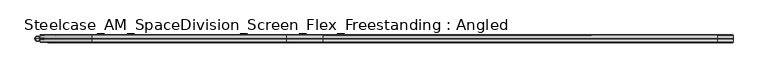
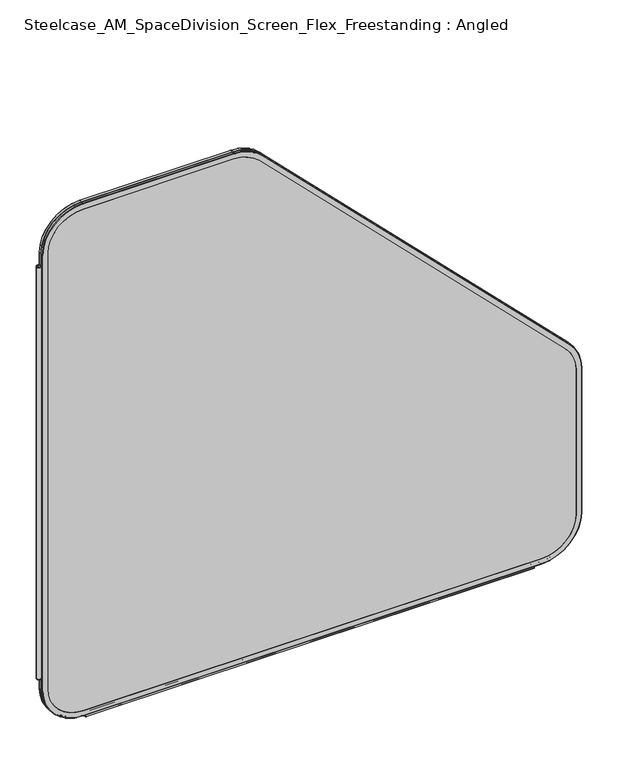
"""IFC4 building model written with IfcOpenShell, lengths in millimetres: furniture geometry, Steelcase_AM_SpaceDivision_Screen_Flex_Freestanding : Angled."""

import ifcopenshell
import ifcopenshell.guid

model = None  # the IFC model being written
_history = None  # IfcOwnerHistory: only IFC2X3 demands one
_inside = {}  # id of a spatial element -> (the spatial element, [elements in it])
_under = {}  # id of a project, library or spatial element -> (it, [spatial elements below it])
_declared = {}  # id of a project -> (the project, [libraries it declares])
_typed = {}  # id of a type object -> (the type object, [elements of that type])
_made_of = {}  # id of a material, layer set ... -> (it, [elements and type objects made of it])


def new_model(schema):
    """Start an empty IFC model of exactly this schema.

    Asked for "IFC4X3", IfcOpenShell would pick the latest addendum, in which some entities
    have other attributes; the version numbers below select the first issue.
    IFC2X3 requires an IfcOwnerHistory on every rooted entity: one is made here for all.
    """
    global model, _history
    if schema == "IFC4X3":
        model = ifcopenshell.file(schema_version=(4, 3, 0, 0))
    else:
        model = ifcopenshell.file(schema=schema)
    _inside.clear()
    _under.clear()
    _declared.clear()
    _typed.clear()
    _made_of.clear()
    _history = None
    if model.schema == "IFC2X3":
        org = make("IfcOrganization", Name="unknown")
        user = make(
            "IfcPersonAndOrganization",
            ThePerson=make("IfcPerson", FamilyName="unknown"),
            TheOrganization=org,
        )
        app = make(
            "IfcApplication",
            ApplicationDeveloper=org,
            Version="unknown",
            ApplicationFullName="unknown",
            ApplicationIdentifier="unknown",
        )
        _history = make(
            "IfcOwnerHistory",
            OwningUser=user,
            OwningApplication=app,
            ChangeAction="ADDED",
            CreationDate=0,
        )
    return model


def make(cls, **values):
    """One entity of the class cls with the attributes given. An attribute that is None is left unset."""
    return model.create_entity(
        cls, **{name: value for name, value in values.items() if value is not None}
    )


def rooted(cls, **values):
    """An entity with a GlobalId (a new one), such as an element, a storey or a relation."""
    return make(cls, GlobalId=ifcopenshell.guid.new(), OwnerHistory=_history, **values)


def si_unit(unit_type, name, prefix=None):
    """IfcSIUnit, for example si_unit("LENGTHUNIT", "METRE", prefix="MILLI")."""
    return make("IfcSIUnit", UnitType=unit_type, Prefix=prefix, Name=name)


def assignment(units):
    """IfcUnitAssignment: the units of a project."""
    return None if units is None else make("IfcUnitAssignment", Units=units)


def point(xyz):
    """IfcCartesianPoint."""
    return None if xyz is None else make("IfcCartesianPoint", Coordinates=xyz)


def direction(xyz):
    """IfcDirection."""
    return None if xyz is None else make("IfcDirection", DirectionRatios=xyz)


def frame(location, z_axis=None, x_axis=None):
    """IfcAxis2Placement3D, a coordinate frame: its origin and axes. An axis left out is left unset."""
    return make(
        "IfcAxis2Placement3D",
        Location=point(location),
        Axis=direction(z_axis),
        RefDirection=direction(x_axis),
    )


def frame_2d(location, x_axis=None):
    """IfcAxis2Placement2D, a coordinate frame in the plane: its origin and x axis."""
    return make(
        "IfcAxis2Placement2D", Location=point(location), RefDirection=direction(x_axis)
    )


def origin():
    """The frame at (0, 0, 0) with its axes left unset."""
    return frame((0.0, 0.0, 0.0))


def place(relative_to, where):
    """IfcLocalPlacement: puts the frame where relative to a parent placement (None: the world)."""
    return make(
        "IfcLocalPlacement", PlacementRelTo=relative_to, RelativePlacement=where
    )


def context(
    kind, dimensions, precision=None, world=None, true_north=None, identifier=None
):
    """IfcGeometricRepresentationContext, for example the 3D "Model" context."""
    return make(
        "IfcGeometricRepresentationContext",
        ContextIdentifier=identifier,
        ContextType=kind,
        CoordinateSpaceDimension=dimensions,
        Precision=precision,
        WorldCoordinateSystem=world,
        TrueNorth=true_north,
    )


def project(units=None, contexts=None):
    """IfcProject with its units and contexts."""
    return rooted(
        "IfcProject",
        Name="project",
        RepresentationContexts=contexts,
        UnitsInContext=assignment(units),
    )


def spatial(cls, under=None, at=None, **own):
    """A site, building, storey or space (cls), placed at a placement, below another one or the project."""
    s = rooted(cls, ObjectPlacement=at, **own)
    if under is not None:
        _under.setdefault(under.id(), (under, []))[1].append(s)
    return s


def polyline(points):
    """IfcPolyline through the points."""
    return make("IfcPolyline", Points=[point(p) for p in points])


def circle_curve(where, radius):
    """IfcCircle in the frame where."""
    return make("IfcCircle", Position=where, Radius=radius)


def ellipse_curve(where, semi_axis1, semi_axis2):
    """IfcEllipse in the frame where."""
    return make(
        "IfcEllipse", Position=where, SemiAxis1=semi_axis1, SemiAxis2=semi_axis2
    )


def trimmed(basis, trim1, trim2, sense, master):
    """IfcTrimmedCurve: the piece of a basis curve between two trims."""
    return make(
        "IfcTrimmedCurve",
        BasisCurve=basis,
        Trim1=trim1,
        Trim2=trim2,
        SenseAgreement=sense,
        MasterRepresentation=master,
    )


def segment(curve, same_sense, transition):
    """IfcCompositeCurveSegment."""
    return make(
        "IfcCompositeCurveSegment",
        Transition=transition,
        SameSense=same_sense,
        ParentCurve=curve,
    )


def composite_curve(segments, self_intersect=None):
    """IfcCompositeCurve: segments joined end to end."""
    return make("IfcCompositeCurve", Segments=segments, SelfIntersect=self_intersect)


def outline(outer, holes=None, kind="AREA"):
    """IfcArbitraryClosedProfileDef: a profile drawn as a closed curve; with holes, ...WithVoids."""
    if holes is None:
        return make("IfcArbitraryClosedProfileDef", ProfileType=kind, OuterCurve=outer)
    return make(
        "IfcArbitraryProfileDefWithVoids",
        ProfileType=kind,
        OuterCurve=outer,
        InnerCurves=holes,
    )


def extrude(swept, where, along, depth):
    """IfcExtrudedAreaSolid: the profile swept, set in the frame where, extruded along a direction by depth."""
    return make(
        "IfcExtrudedAreaSolid",
        SweptArea=swept,
        Position=where,
        ExtrudedDirection=direction(along),
        Depth=depth,
    )


def shape(context_of_items, identifier, shape_type, items):
    """IfcShapeRepresentation: the items that make up one representation, for example the "Body"."""
    return make(
        "IfcShapeRepresentation",
        ContextOfItems=context_of_items,
        RepresentationIdentifier=identifier,
        RepresentationType=shape_type,
        Items=items,
    )


def source(mapping_origin, context_of_items, identifier, shape_type, items):
    """IfcRepresentationMap: a shape defined once, which mapped items show again and again."""
    return make(
        "IfcRepresentationMap",
        MappingOrigin=mapping_origin,
        MappedRepresentation=shape(context_of_items, identifier, shape_type, items),
    )


def transform(
    local_origin,
    x_axis=None,
    y_axis=None,
    z_axis=None,
    scale=None,
    scale2=None,
    scale3=None,
    uniform=True,
):
    """IfcCartesianTransformationOperator3D, or its non-uniform kind. x_axis, y_axis, z_axis: its Axis1, 2, 3."""
    if uniform:
        return make(
            "IfcCartesianTransformationOperator3D",
            Axis1=direction(x_axis),
            Axis2=direction(y_axis),
            LocalOrigin=point(local_origin),
            Scale=scale,
            Axis3=direction(z_axis),
        )
    return make(
        "IfcCartesianTransformationOperator3DnonUniform",
        Axis1=direction(x_axis),
        Axis2=direction(y_axis),
        LocalOrigin=point(local_origin),
        Scale=scale,
        Axis3=direction(z_axis),
        Scale2=scale2,
        Scale3=scale3,
    )


def mapped(mapping_source, mapping_target):
    """IfcMappedItem: shows the shape of a source again, moved by a transform."""
    return make(
        "IfcMappedItem", MappingSource=mapping_source, MappingTarget=mapping_target
    )


def made_of(thing, what):
    """Note that an element or type object is made of a material, layer set ...; save() writes the relation."""
    if what is not None:
        _made_of.setdefault(what.id(), (what, []))[1].append(thing)
    return thing


def element(
    cls,
    number,
    at=None,
    inside=None,
    cuts=None,
    type_object=None,
    material=None,
    context=None,
    identifier="Body",
    shape_type=None,
    held_by="IfcProductDefinitionShape",
    body=None,
    shapes=None,
    **own,
):
    """One element of the class cls, such as IfcWall. Its Tag is "e" and its number.

    at: its placement. inside: the storey or other place that contains it. cuts: it is an
    opening in that element (IfcRelVoidsElement). A single representation is given by context,
    identifier, shape_type and body (its items); several are given by shapes. held_by: the class
    of the entity that holds the representations. save() writes the other relations.
    """
    e = rooted(cls, Tag="e%d" % number, ObjectPlacement=at, **own)
    if body is not None:
        shapes = [shape(context, identifier, shape_type, body)]
    if shapes is not None:
        e.Representation = make(held_by, Representations=shapes)
    if inside is not None:
        _inside.setdefault(inside.id(), (inside, []))[1].append(e)
    if cuts is not None:
        rooted(
            "IfcRelVoidsElement", RelatingBuildingElement=cuts, RelatedOpeningElement=e
        )
    if type_object is not None:
        _typed.setdefault(type_object.id(), (type_object, []))[1].append(e)
    return made_of(e, material)


def aggregate(whole, parts):
    """IfcRelAggregates: a whole, such as a stair, and the parts it consists of."""
    return rooted("IfcRelAggregates", RelatingObject=whole, RelatedObjects=parts)


def save(model, path):
    """Write the relations noted so far, then the file.

    IfcRelAggregates (storeys below a building ...), IfcRelContainedInSpatialStructure (elements
    in a storey), IfcRelDefinesByType, IfcRelAssociatesMaterial and IfcRelDeclares: one each for
    every whole, place, type object, material and project.
    """
    for whole, parts in _under.values():
        aggregate(whole, parts)
    for where, things in _inside.values():
        rooted(
            "IfcRelContainedInSpatialStructure",
            RelatedElements=things,
            RelatingStructure=where,
        )
    for kind, things in _typed.values():
        rooted("IfcRelDefinesByType", RelatedObjects=things, RelatingType=kind)
    for what, things in _made_of.values():
        rooted("IfcRelAssociatesMaterial", RelatedObjects=things, RelatingMaterial=what)
    for by, libraries in _declared.values():
        rooted("IfcRelDeclares", RelatingContext=by, RelatedDefinitions=libraries)
    model.write(path)


def plane_surface(at):
    """IfcPlane: the flat surface through the origin of the frame at, square to its z axis."""
    return make("IfcPlane", Position=at)


def cylinder_surface(at, radius):
    """IfcCylindricalSurface: all points at the distance radius from the z axis of the frame at."""
    return make("IfcCylindricalSurface", Position=at, Radius=radius)


def revolved_surface(curve, axis_point, axis_direction):
    """IfcSurfaceOfRevolution: the curve turned about the line through axis_point along axis_direction."""
    return make(
        "IfcSurfaceOfRevolution",
        SweptCurve=make("IfcArbitraryOpenProfileDef", ProfileType="CURVE", Curve=curve),
        AxisPosition=make("IfcAxis1Placement", Location=point(axis_point), Axis=direction(axis_direction)),
    )


def advanced_brep(points, edges, surfaces, faces):
    """IfcAdvancedBrep: a solid bounded by faces that lie on surfaces and meet in shared edges.

    An edge is (start, end): straight between two places in points (the first is 0);
    or (start, end, curve); or (start, end, curve, False) where it runs against its curve.
    A face is (place in surfaces, loops), or (place, loops, False) where it looks against
    its surface's normal. A loop lists edges by number (the first is 1), with a minus sign
    where the edge is run from its end to its start. The first loop is the outer one.
    """
    corners = [point(p) for p in points]
    vertices = [make("IfcVertexPoint", VertexGeometry=c) for c in corners]
    made = []
    for start, end, *more in edges:
        made.append(
            make(
                "IfcEdgeCurve",
                EdgeStart=vertices[start],
                EdgeEnd=vertices[end],
                EdgeGeometry=more[0] if more else make("IfcPolyline", Points=[corners[start], corners[end]]),
                SameSense=more[1] if len(more) > 1 else True,
            )
        )
    hull = []
    for where, loops, *sense in faces:
        bounds = []
        for j, loop in enumerate(loops):
            ring = [make("IfcOrientedEdge", EdgeElement=made[abs(k) - 1], Orientation=k > 0) for k in loop]
            bounds.append(
                make(
                    "IfcFaceOuterBound" if j == 0 else "IfcFaceBound",
                    Bound=make("IfcEdgeLoop", EdgeList=ring),
                    Orientation=True,
                )
            )
        hull.append(make("IfcAdvancedFace", Bounds=bounds, FaceSurface=surfaces[where], SameSense=sense[0] if sense else True))
    return make("IfcAdvancedBrep", Outer=make("IfcClosedShell", CfsFaces=hull))


def steelcase_am_spacedivision_screen_flex_freestanding_angled_48475df1(model_context):
    return source(origin(), model_context, "Body", "SolidModel", [
        advanced_brep(
        [(98.0653521, -5.715, 4.9996464), (98.0653521, -6.477, 5.7616464), (9.9273521, -6.477, 93.8996464), (9.1653521, -5.715, 93.8996464), (98.0653521, -0.8129491, 4.9996464), (9.1653521, -0.8129491, 93.8996464), (98.0653521, 5.715, 4.9996464), (98.0653521, 0.8129491, 4.9996464), (9.1653521, 0.8129491, 93.8996464), (9.1653521, 5.715, 93.8996464), (98.0653521, 6.477, 5.7616464), (9.9273521, 6.477, 93.8996464), (98.0653521, -6.477, 17.6996464), (98.0653521, 6.477, 17.6996464), (21.8653521, 6.477, 93.8996464), (21.8653521, -6.477, 93.8996464), (1104.9, -5.715, 4.9996464), (1104.9, -6.477, 5.7616464), (1104.9, -0.8129491, 4.9996464), (1104.9, 5.715, 4.9996464), (1104.9, 0.8129491, 4.9996464), (1104.9, 6.477, 5.7616464), (1104.9, -6.477, 17.6996464), (1104.9, 6.477, 17.6996464), (1193.8, -5.715, 93.8996464), (1193.038, -6.477, 93.8996464), (1193.8, -0.8129491, 93.8996464), (1193.8, 5.715, 93.8996464), (1193.8, 0.8129491, 93.8996464), (1193.038, 6.477, 93.8996464), (1181.1, -6.477, 93.8996464), (1181.1, 6.477, 93.8996464), (1193.8, -5.715, 430.3749822), (1193.038, -6.477, 430.3749822), (1193.8, -0.8129491, 430.3749822), (1193.8, 5.715, 430.3749822), (1193.8, 0.8129491, 430.3749822), (1193.038, 6.477, 430.3749822), (1181.1, -6.477, 430.3749822), (1181.1, 6.477, 430.3749822), (1167.7617928, -5.715, 493.2367751), (1167.2229775, -6.477, 492.6979597), (1167.7617928, -0.8129491, 493.2367751), (1167.7617928, 5.715, 493.2367751), (1167.7617928, 0.8129491, 493.2367751), (1167.2229775, 6.477, 492.6979597), (1158.7815367, -6.477, 484.2565189), (1158.7815367, 6.477, 484.2565189), (493.2367751, -5.715, 1167.7617928), (492.6979597, -6.477, 1167.2229775), (493.2367751, -0.8129491, 1167.7617928), (493.2367751, 5.715, 1167.7617928), (493.2367751, 0.8129491, 1167.7617928), (492.6979597, 6.477, 1167.2229775), (484.2565189, -6.477, 1158.7815367), (484.2565189, 6.477, 1158.7815367), (430.3749822, -5.715, 1193.8), (430.3749822, -6.477, 1193.038), (430.3749822, -0.8129491, 1193.8), (430.3749822, 5.715, 1193.8), (430.3749822, 0.8129491, 1193.8), (430.3749822, 6.477, 1193.038), (430.3749822, -6.477, 1181.1), (430.3749822, 6.477, 1181.1), (98.0653521, -5.715, 1193.8), (98.0653521, -6.477, 1193.038), (98.0653521, -0.8129491, 1193.8), (98.0653521, 5.715, 1193.8), (98.0653521, 0.8129491, 1193.8), (98.0653521, 6.477, 1193.038), (98.0653521, -6.477, 1181.1), (98.0653521, 6.477, 1181.1), (9.1653521, -5.715, 1104.9), (9.9273521, -6.477, 1104.9), (9.1653521, -0.8129491, 1104.9), (9.1653521, 5.715, 1104.9), (9.1653521, 0.8129491, 1104.9), (9.9273521, 6.477, 1104.9), (21.8653521, -6.477, 1104.9), (21.8653521, 6.477, 1104.9), (98.0653521, 0.0, 5.5902885), (9.7559942, 0.0, 93.8996464), (1104.9, 0.0, 5.5902885), (1193.2093579, 0.0, 93.8996464), (1193.2093579, 0.0, 430.3749822), (1167.3441458, 0.0, 492.819128), (492.819128, 0.0, 1167.3441458), (430.3749822, 0.0, 1193.2093579), (98.0653521, 0.0, 1193.2093579), (9.7559942, 0.0, 1104.9)],
        [
            (0, 1, circle_curve(frame((98.0653521, -5.715, 5.7616464), z_axis=(-1.0, 0.0, 0.0), x_axis=(0.0, 1.0, 0.0)), 0.762)),
            (1, 2, circle_curve(frame((98.0653521, -6.477, 93.8996464), z_axis=(0.0, 1.0, 0.0), x_axis=(-1.0, 0.0, 0.0)), 88.138)),
            (2, 3, circle_curve(frame((9.9273521, -5.715, 93.8996464), z_axis=(0.0, 0.0, -1.0), x_axis=(0.0, 1.0, 0.0)), 0.762)),
            (3, 0, circle_curve(frame((98.0653521, -5.715, 93.8996464), z_axis=(0.0, -1.0, 0.0), x_axis=(-1.0, 0.0, 0.0)), 88.9)),
            (4, 0),
            (3, 5),
            (5, 4, circle_curve(frame((98.0653521, -0.8129491, 93.8996464), z_axis=(0.0, -1.0, 0.0), x_axis=(-1.0, 0.0, 0.0)), 88.9)),
            (6, 7),
            (7, 8, circle_curve(frame((98.0653521, 0.8129491, 93.8996464), z_axis=(0.0, 1.0, 0.0), x_axis=(-1.0, 0.0, 0.0)), 88.9)),
            (8, 9),
            (9, 6, circle_curve(frame((98.0653521, 5.715, 93.8996464), z_axis=(0.0, -1.0, 0.0), x_axis=(-1.0, 0.0, 0.0)), 88.9)),
            (10, 6, circle_curve(frame((98.0653521, 5.715, 5.7616464), z_axis=(-1.0, 0.0, 0.0), x_axis=(0.0, 1.0, 0.0)), 0.762)),
            (9, 11, circle_curve(frame((9.9273521, 5.715, 93.8996464), z_axis=(0.0, 0.0, -1.0), x_axis=(0.0, 1.0, 0.0)), 0.762)),
            (11, 10, circle_curve(frame((98.0653521, 6.477, 93.8996464), z_axis=(0.0, -1.0, 0.0), x_axis=(-1.0, 0.0, 0.0)), 88.138)),
            (12, 13),
            (13, 14, circle_curve(frame((98.0653521, 6.477, 93.8996464), z_axis=(0.0, 1.0, 0.0), x_axis=(-1.0, 0.0, 0.0)), 76.2)),
            (14, 15),
            (15, 12, circle_curve(frame((98.0653521, -6.477, 93.8996464), z_axis=(0.0, -1.0, 0.0), x_axis=(-1.0, 0.0, 0.0)), 76.2)),
            (0, 16),
            (16, 17, circle_curve(frame((1104.9, -5.715, 5.7616464), z_axis=(-1.0, 0.0, 0.0), x_axis=(0.0, 1.0, 0.0)), 0.762)),
            (17, 1),
            (4, 18),
            (18, 16),
            (6, 19),
            (19, 20),
            (20, 7),
            (10, 21),
            (21, 19, circle_curve(frame((1104.9, 5.715, 5.7616464), z_axis=(-1.0, 0.0, 0.0), x_axis=(0.0, 1.0, 0.0)), 0.762)),
            (12, 22),
            (22, 23),
            (23, 13),
            (24, 25, circle_curve(frame((1193.038, -5.715, 93.8996464), z_axis=(0.0, 0.0, -1.0), x_axis=(0.0, 1.0, 0.0)), 0.762)),
            (25, 17, circle_curve(frame((1104.9, -6.477, 93.8996464), z_axis=(0.0, 1.0, 0.0), x_axis=(0.0, 0.0, -1.0)), 88.138)),
            (16, 24, circle_curve(frame((1104.9, -5.715, 93.8996464), z_axis=(0.0, -1.0, 0.0), x_axis=(0.0, 0.0, -1.0)), 88.9)),
            (26, 24),
            (18, 26, circle_curve(frame((1104.9, -0.8129491, 93.8996464), z_axis=(0.0, -1.0, 0.0), x_axis=(0.0, 0.0, -1.0)), 88.9)),
            (27, 28),
            (28, 20, circle_curve(frame((1104.9, 0.8129491, 93.8996464), z_axis=(0.0, 1.0, 0.0), x_axis=(0.0, 0.0, -1.0)), 88.9)),
            (19, 27, circle_curve(frame((1104.9, 5.715, 93.8996464), z_axis=(0.0, -1.0, 0.0), x_axis=(0.0, 0.0, -1.0)), 88.9)),
            (29, 27, circle_curve(frame((1193.038, 5.715, 93.8996464), z_axis=(0.0, 0.0, -1.0), x_axis=(0.0, 1.0, 0.0)), 0.762)),
            (21, 29, circle_curve(frame((1104.9, 6.477, 93.8996464), z_axis=(0.0, -1.0, 0.0), x_axis=(0.0, 0.0, -1.0)), 88.138)),
            (30, 31),
            (31, 23, circle_curve(frame((1104.9, 6.477, 93.8996464), z_axis=(0.0, 1.0, 0.0), x_axis=(0.0, 0.0, -1.0)), 76.2)),
            (22, 30, circle_curve(frame((1104.9, -6.477, 93.8996464), z_axis=(0.0, -1.0, 0.0), x_axis=(0.0, 0.0, -1.0)), 76.2)),
            (24, 32),
            (32, 33, circle_curve(frame((1193.038, -5.715, 430.3749822), z_axis=(0.0, 0.0, -1.0), x_axis=(0.0, 1.0, 0.0)), 0.762)),
            (33, 25),
            (26, 34),
            (34, 32),
            (27, 35),
            (35, 36),
            (36, 28),
            (29, 37),
            (37, 35, circle_curve(frame((1193.038, 5.715, 430.3749822), z_axis=(0.0, 0.0, -1.0), x_axis=(0.0, 1.0, 0.0)), 0.762)),
            (30, 38),
            (38, 39),
            (39, 31),
            (40, 41, circle_curve(frame((1167.2229775, -5.715, 492.6979597), z_axis=(0.7071067811865454, 0.0, -0.7071067811865497), x_axis=(0.0, 1.0, 0.0)), 0.762)),
            (41, 33, circle_curve(frame((1104.9, -6.477, 430.3749822), z_axis=(0.0, 1.0, 0.0), x_axis=(1.0, 0.0, 0.0)), 88.138)),
            (32, 40, circle_curve(frame((1104.9, -5.715, 430.3749822), z_axis=(0.0, -1.0, 0.0), x_axis=(1.0, 0.0, 0.0)), 88.9)),
            (42, 40),
            (34, 42, circle_curve(frame((1104.9, -0.8129491, 430.3749822), z_axis=(0.0, -1.0, 0.0), x_axis=(1.0, 0.0, 0.0)), 88.9)),
            (43, 44),
            (44, 36, circle_curve(frame((1104.9, 0.8129491, 430.3749822), z_axis=(0.0, 1.0, 0.0), x_axis=(1.0, 0.0, 0.0)), 88.9)),
            (35, 43, circle_curve(frame((1104.9, 5.715, 430.3749822), z_axis=(0.0, -1.0, 0.0), x_axis=(1.0, 0.0, 0.0)), 88.9)),
            (45, 43, circle_curve(frame((1167.2229775, 5.715, 492.6979597), z_axis=(0.7071067811865457, 0.0, -0.7071067811865493), x_axis=(0.0, 1.0, 0.0)), 0.762)),
            (37, 45, circle_curve(frame((1104.9, 6.477, 430.3749822), z_axis=(0.0, -1.0, 0.0), x_axis=(1.0, 0.0, 0.0)), 88.138)),
            (46, 47),
            (47, 39, circle_curve(frame((1104.9, 6.477, 430.3749822), z_axis=(0.0, 1.0, 0.0), x_axis=(1.0, 0.0, 0.0)), 76.2)),
            (38, 46, circle_curve(frame((1104.9, -6.477, 430.3749822), z_axis=(0.0, -1.0, 0.0), x_axis=(1.0, 0.0, 0.0)), 76.2)),
            (40, 48),
            (48, 49, circle_curve(frame((492.6979597, -5.715, 1167.2229775), z_axis=(0.7071067811865461, 0.0, -0.7071067811865489), x_axis=(0.0, 1.0, 0.0)), 0.762)),
            (49, 41),
            (42, 50),
            (50, 48),
            (43, 51),
            (51, 52),
            (52, 44),
            (45, 53),
            (53, 51, circle_curve(frame((492.6979597, 5.715, 1167.2229775), z_axis=(0.7071067811865461, 0.0, -0.7071067811865489), x_axis=(0.0, 1.0, 0.0)), 0.762)),
            (46, 54),
            (54, 55),
            (55, 47),
            (56, 57, circle_curve(frame((430.3749822, -5.715, 1193.038), z_axis=(1.0, 0.0, 0.0), x_axis=(0.0, 1.0, 0.0)), 0.762)),
            (57, 49, circle_curve(frame((430.3749822, -6.477, 1104.9), z_axis=(0.0, 1.0, 0.0), x_axis=(0.7071067811865528, 0.0, 0.7071067811865424)), 88.138)),
            (48, 56, circle_curve(frame((430.3749822, -5.715, 1104.9), z_axis=(0.0, -1.0, 0.0), x_axis=(0.7071067811865528, 0.0, 0.7071067811865424)), 88.9)),
            (58, 56),
            (50, 58, circle_curve(frame((430.3749822, -0.8129491, 1104.9), z_axis=(0.0, -1.0, 0.0), x_axis=(0.7071067811865528, 0.0, 0.7071067811865424)), 88.9)),
            (59, 60),
            (60, 52, circle_curve(frame((430.3749822, 0.8129491, 1104.9), z_axis=(0.0, 1.0, 0.0), x_axis=(0.7071067811865528, 0.0, 0.7071067811865424)), 88.9)),
            (51, 59, circle_curve(frame((430.3749822, 5.715, 1104.9), z_axis=(0.0, -1.0, 0.0), x_axis=(0.7071067811865528, 0.0, 0.7071067811865424)), 88.9)),
            (61, 59, circle_curve(frame((430.3749822, 5.715, 1193.038), z_axis=(1.0, 0.0, 0.0), x_axis=(0.0, 1.0, 0.0)), 0.762)),
            (53, 61, circle_curve(frame((430.3749822, 6.477, 1104.9), z_axis=(0.0, -1.0, 0.0), x_axis=(0.7071067811865528, 0.0, 0.7071067811865424)), 88.138)),
            (62, 63),
            (63, 55, circle_curve(frame((430.3749822, 6.477, 1104.9), z_axis=(0.0, 1.0, 0.0), x_axis=(0.7071067811865528, 0.0, 0.7071067811865424)), 76.2)),
            (54, 62, circle_curve(frame((430.3749822, -6.477, 1104.9), z_axis=(0.0, -1.0, 0.0), x_axis=(0.7071067811865528, 0.0, 0.7071067811865424)), 76.2)),
            (56, 64),
            (64, 65, circle_curve(frame((98.0653521, -5.715, 1193.038), z_axis=(1.0, 0.0, 0.0), x_axis=(0.0, 1.0, 0.0)), 0.762)),
            (65, 57),
            (58, 66),
            (66, 64),
            (59, 67),
            (67, 68),
            (68, 60),
            (61, 69),
            (69, 67, circle_curve(frame((98.0653521, 5.715, 1193.038), z_axis=(1.0, 0.0, 0.0), x_axis=(0.0, 1.0, 0.0)), 0.762)),
            (62, 70),
            (70, 71),
            (71, 63),
            (72, 73, circle_curve(frame((9.9273521, -5.715, 1104.9), z_axis=(0.0, 0.0, 1.0), x_axis=(0.0, 1.0, 0.0)), 0.762)),
            (73, 65, circle_curve(frame((98.0653521, -6.477, 1104.9), z_axis=(0.0, 1.0, 0.0), x_axis=(0.0, 0.0, 1.0)), 88.138)),
            (64, 72, circle_curve(frame((98.0653521, -5.715, 1104.9), z_axis=(0.0, -1.0, 0.0), x_axis=(0.0, 0.0, 1.0)), 88.9)),
            (74, 72),
            (66, 74, circle_curve(frame((98.0653521, -0.8129491, 1104.9), z_axis=(0.0, -1.0, 0.0), x_axis=(0.0, 0.0, 1.0)), 88.9)),
            (75, 76),
            (76, 68, circle_curve(frame((98.0653521, 0.8129491, 1104.9), z_axis=(0.0, 1.0, 0.0), x_axis=(0.0, 0.0, 1.0)), 88.9)),
            (67, 75, circle_curve(frame((98.0653521, 5.715, 1104.9), z_axis=(0.0, -1.0, 0.0), x_axis=(0.0, 0.0, 1.0)), 88.9)),
            (77, 75, circle_curve(frame((9.9273521, 5.715, 1104.9), z_axis=(0.0, 0.0, 1.0), x_axis=(0.0, 1.0, 0.0)), 0.762)),
            (69, 77, circle_curve(frame((98.0653521, 6.477, 1104.9), z_axis=(0.0, -1.0, 0.0), x_axis=(0.0, 0.0, 1.0)), 88.138)),
            (78, 79),
            (79, 71, circle_curve(frame((98.0653521, 6.477, 1104.9), z_axis=(0.0, 1.0, 0.0), x_axis=(0.0, 0.0, 1.0)), 76.2)),
            (70, 78, circle_curve(frame((98.0653521, -6.477, 1104.9), z_axis=(0.0, -1.0, 0.0), x_axis=(0.0, 0.0, 1.0)), 76.2)),
            (73, 2),
            (15, 78),
            (72, 3),
            (74, 5),
            (75, 9),
            (8, 76),
            (77, 11),
            (79, 14),
            (80, 4, circle_curve(frame((98.0653521, -0.8129491, 5.8544317), z_axis=(-1.0, 0.0, 0.0), x_axis=(0.0, 1.0, 0.0)), 0.8547853)),
            (5, 81, circle_curve(frame((10.0201374, -0.8129491, 93.8996464), z_axis=(0.0, 0.0, -1.0), x_axis=(0.0, 1.0, 0.0)), 0.8547853)),
            (81, 80, circle_curve(frame((98.0653521, 0.0, 93.8996464), z_axis=(0.0, -1.0, 0.0), x_axis=(-1.0, 0.0, 0.0)), 88.3093579)),
            (7, 80, circle_curve(frame((98.0653521, 0.8129491, 5.8544317), z_axis=(-1.0, 0.0, 0.0), x_axis=(0.0, 1.0, 0.0)), 0.8547853)),
            (81, 8, circle_curve(frame((10.0201374, 0.8129491, 93.8996464), z_axis=(0.0, 0.0, -1.0), x_axis=(0.0, 1.0, 0.0)), 0.8547853)),
            (80, 82),
            (82, 18, circle_curve(frame((1104.9, -0.8129491, 5.8544317), z_axis=(-1.0, 0.0, 0.0), x_axis=(0.0, 1.0, 0.0)), 0.8547853)),
            (20, 82, circle_curve(frame((1104.9, 0.8129491, 5.8544317), z_axis=(-1.0, 0.0, 0.0), x_axis=(0.0, 1.0, 0.0)), 0.8547853)),
            (83, 26, circle_curve(frame((1192.9452147, -0.8129491, 93.8996464), z_axis=(0.0, 0.0, -1.0), x_axis=(0.0, 1.0, 0.0)), 0.8547853)),
            (82, 83, circle_curve(frame((1104.9, 0.0, 93.8996464), z_axis=(0.0, -1.0, 0.0), x_axis=(0.0, 0.0, -1.0)), 88.3093579)),
            (28, 83, circle_curve(frame((1192.9452147, 0.8129491, 93.8996464), z_axis=(0.0, 0.0, -1.0), x_axis=(0.0, 1.0, 0.0)), 0.8547853)),
            (83, 84),
            (84, 34, circle_curve(frame((1192.9452147, -0.8129491, 430.3749822), z_axis=(0.0, 0.0, -1.0), x_axis=(0.0, 1.0, 0.0)), 0.8547853)),
            (36, 84, circle_curve(frame((1192.9452147, 0.8129491, 430.3749822), z_axis=(0.0, 0.0, -1.0), x_axis=(0.0, 1.0, 0.0)), 0.8547853)),
            (85, 42, circle_curve(frame((1167.1573684, -0.8129491, 492.6323506), z_axis=(0.7071067811865454, 0.0, -0.7071067811865497), x_axis=(0.0, 1.0, 0.0)), 0.8547853)),
            (84, 85, circle_curve(frame((1104.9, 0.0, 430.3749822), z_axis=(0.0, -1.0, 0.0), x_axis=(1.0, 0.0, 0.0)), 88.3093579)),
            (44, 85, circle_curve(frame((1167.1573684, 0.8129491, 492.6323506), z_axis=(0.7071067811865454, 0.0, -0.7071067811865497), x_axis=(0.0, 1.0, 0.0)), 0.8547853)),
            (85, 86),
            (86, 50, circle_curve(frame((492.6323506, -0.8129491, 1167.1573684), z_axis=(0.7071067811865461, 0.0, -0.7071067811865489), x_axis=(0.0, 1.0, 0.0)), 0.8547853)),
            (52, 86, circle_curve(frame((492.6323506, 0.8129491, 1167.1573684), z_axis=(0.7071067811865461, 0.0, -0.7071067811865489), x_axis=(0.0, 1.0, 0.0)), 0.8547853)),
            (87, 58, circle_curve(frame((430.3749822, -0.8129491, 1192.9452147), z_axis=(1.0, 0.0, 0.0), x_axis=(0.0, 1.0, 0.0)), 0.8547853)),
            (86, 87, circle_curve(frame((430.3749822, 0.0, 1104.9), z_axis=(0.0, -1.0, 0.0), x_axis=(0.7071067811865528, 0.0, 0.7071067811865424)), 88.3093579)),
            (60, 87, circle_curve(frame((430.3749822, 0.8129491, 1192.9452147), z_axis=(1.0, 0.0, 0.0), x_axis=(0.0, 1.0, 0.0)), 0.8547853)),
            (87, 88),
            (88, 66, circle_curve(frame((98.0653521, -0.8129491, 1192.9452147), z_axis=(1.0, 0.0, 0.0), x_axis=(0.0, 1.0, 0.0)), 0.8547853)),
            (68, 88, circle_curve(frame((98.0653521, 0.8129491, 1192.9452147), z_axis=(1.0, 0.0, 0.0), x_axis=(0.0, 1.0, 0.0)), 0.8547853)),
            (89, 74, circle_curve(frame((10.0201374, -0.8129491, 1104.9), z_axis=(0.0, 0.0, 1.0), x_axis=(0.0, 1.0, 0.0)), 0.8547853)),
            (88, 89, circle_curve(frame((98.0653521, 0.0, 1104.9), z_axis=(0.0, -1.0, 0.0), x_axis=(0.0, 0.0, 1.0)), 88.3093579)),
            (76, 89, circle_curve(frame((10.0201374, 0.8129491, 1104.9), z_axis=(0.0, 0.0, 1.0), x_axis=(0.0, 1.0, 0.0)), 0.8547853)),
            (89, 81),
        ],
        [
            revolved_surface(trimmed(ellipse_curve(frame((9.9273521, -5.715, 93.8996464), z_axis=(0.0, 0.0, -1.0), x_axis=(0.0, 1.0, 0.0)), 0.762, 0.762), [point((9.9273521, -6.477, 93.8996464))], [point((9.1653521, -5.715, 93.8996464))], True, "CARTESIAN"), (98.0653521, 0.0, 93.8996464), (0.0, 1.0, 0.0)),
            cylinder_surface(frame((98.0653521, 0.0, 93.8996464), z_axis=(0.0, 1.0, 0.0), x_axis=(-1.0, 0.0, 0.0)), 88.9),
            revolved_surface(trimmed(ellipse_curve(frame((9.9273521, 5.715, 93.8996464), z_axis=(0.0, 0.0, -1.0), x_axis=(0.0, 1.0, 0.0)), 0.762, 0.762), [point((9.1653521, 5.715, 93.8996464))], [point((9.9273521, 6.477, 93.8996464))], True, "CARTESIAN"), (98.0653521, 0.0, 93.8996464), (0.0, 1.0, 0.0)),
            revolved_surface(polyline([(21.865352099999996, 6.477, 93.8996464), (21.865352099999996, -6.477, 93.8996464)]), (98.0653521, 0.0, 93.8996464), (0.0, 1.0, 0.0)),
            cylinder_surface(frame((98.0653521, -5.715, 5.7616464), z_axis=(-1.0, 0.0, 0.0), x_axis=(0.0, 1.0, 0.0)), 0.762),
            plane_surface(frame((98.0653521, -5.715, 4.9996464), z_axis=(0.0, 0.0, -1.0), x_axis=(1.0, 0.0, 0.0))),
            plane_surface(frame((98.0653521, 0.8129491, 4.9996464), z_axis=(0.0, 0.0, -1.0), x_axis=(1.0, 0.0, 0.0))),
            cylinder_surface(frame((98.0653521, 5.715, 5.7616464), z_axis=(-1.0, 0.0, 0.0), x_axis=(0.0, 1.0, 0.0)), 0.762),
            plane_surface(frame((98.0653521, 6.477, 17.6996464), z_axis=(0.0, 0.0, 1.0), x_axis=(1.0, 0.0, 0.0))),
            revolved_surface(trimmed(ellipse_curve(frame((1104.9, -5.715, 5.7616464), z_axis=(1.0, 0.0, 0.0), x_axis=(0.0, 1.0, 0.0)), 0.762, 0.762), [point((1104.9, -6.477, 5.7616464))], [point((1104.9, -5.715, 4.9996464))], True, "CARTESIAN"), (1104.9, 0.0, 93.8996464), (0.0, 1.0, 0.0)),
            cylinder_surface(frame((1104.9, 0.0, 93.8996464), z_axis=(0.0, 1.0, 0.0), x_axis=(0.0, 0.0, -1.0)), 88.9),
            revolved_surface(trimmed(ellipse_curve(frame((1104.9, 5.715, 5.7616464), z_axis=(1.0, 0.0, 0.0), x_axis=(0.0, 1.0, 0.0)), 0.762, 0.762), [point((1104.9, 5.715, 4.9996464))], [point((1104.9, 6.477, 5.7616464))], True, "CARTESIAN"), (1104.9, 0.0, 93.8996464), (0.0, 1.0, 0.0)),
            revolved_surface(polyline([(1104.9, 6.477, 17.699646399999992), (1104.9, -6.477, 17.699646399999992)]), (1104.9, 0.0, 93.8996464), (0.0, 1.0, 0.0)),
            cylinder_surface(frame((1193.038, -5.715, 93.8996464), z_axis=(0.0, 0.0, -1.0), x_axis=(0.0, 1.0, 0.0)), 0.762),
            plane_surface(frame((1193.8, -5.715, 93.8996464), z_axis=(1.0, 0.0, 0.0), x_axis=(0.0, 0.0, 1.0))),
            plane_surface(frame((1193.8, 0.8129491, 93.8996464), z_axis=(1.0, 0.0, 0.0), x_axis=(0.0, 0.0, 1.0))),
            cylinder_surface(frame((1193.038, 5.715, 93.8996464), z_axis=(0.0, 0.0, -1.0), x_axis=(0.0, 1.0, 0.0)), 0.762),
            plane_surface(frame((1181.1, 6.477, 93.8996464), z_axis=(-1.0, 0.0, 0.0), x_axis=(0.0, 0.0, 1.0))),
            revolved_surface(trimmed(ellipse_curve(frame((1193.038, -5.715, 430.3749822), z_axis=(0.0, 0.0, 1.0), x_axis=(0.0, 1.0, 0.0)), 0.762, 0.762), [point((1193.038, -6.477, 430.3749822))], [point((1193.8, -5.715, 430.3749822))], True, "CARTESIAN"), (1104.9, 0.0, 430.3749822), (0.0, 1.0, 0.0)),
            cylinder_surface(frame((1104.9, 0.0, 430.3749822), z_axis=(0.0, 1.0, 0.0), x_axis=(1.0, 0.0, 0.0)), 88.9),
            revolved_surface(trimmed(ellipse_curve(frame((1193.038, 5.715, 430.3749822), z_axis=(0.0, 0.0, 1.0), x_axis=(0.0, 1.0, 0.0)), 0.762, 0.762), [point((1193.8, 5.715, 430.3749822))], [point((1193.038, 6.477, 430.3749822))], True, "CARTESIAN"), (1104.9, 0.0, 430.3749822), (0.0, 1.0, 0.0)),
            revolved_surface(polyline([(1181.1000000000001, 6.477, 430.3749822), (1181.1000000000001, -6.477, 430.3749822)]), (1104.9, 0.0, 430.3749822), (0.0, 1.0, 0.0)),
            cylinder_surface(frame((1167.2229775, -5.715, 492.6979597), z_axis=(0.7071067811865461, 0.0, -0.7071067811865489), x_axis=(0.0, 1.0, 0.0)), 0.762),
            plane_surface(frame((1167.7617928, -5.715, 493.2367751), z_axis=(0.707106781186549, 0.0, 0.7071067811865461), x_axis=(-0.7071067811865461, 0.0, 0.707106781186549))),
            plane_surface(frame((1167.7617928, 0.8129491, 493.2367751), z_axis=(0.707106781186549, 0.0, 0.7071067811865461), x_axis=(-0.7071067811865461, 0.0, 0.707106781186549))),
            cylinder_surface(frame((1167.2229775, 5.715, 492.6979597), z_axis=(0.7071067811865461, 0.0, -0.7071067811865489), x_axis=(0.0, 1.0, 0.0)), 0.762),
            plane_surface(frame((1158.7815367, 6.477, 484.2565189), z_axis=(-0.707106781186549, 0.0, -0.7071067811865461), x_axis=(-0.7071067811865461, 0.0, 0.707106781186549))),
            revolved_surface(trimmed(ellipse_curve(frame((492.6979597, -5.715, 1167.2229775), z_axis=(-0.7071067811865425, 0.0, 0.7071067811865527), x_axis=(0.0, 1.0, 0.0)), 0.762, 0.762), [point((492.6979597, -6.477, 1167.2229775))], [point((493.2367751, -5.715, 1167.7617928))], True, "CARTESIAN"), (430.3749822, 0.0, 1104.9), (0.0, 1.0, 0.0)),
            cylinder_surface(frame((430.3749822, 0.0, 1104.9), z_axis=(0.0, 1.0, 0.0), x_axis=(0.7071067811865528, 0.0, 0.7071067811865424)), 88.9),
            revolved_surface(trimmed(ellipse_curve(frame((492.6979597, 5.715, 1167.2229775), z_axis=(-0.7071067811865425, 0.0, 0.7071067811865527), x_axis=(0.0, 1.0, 0.0)), 0.762, 0.762), [point((493.2367751, 5.715, 1167.7617928))], [point((492.6979597, 6.477, 1167.2229775))], True, "CARTESIAN"), (430.3749822, 0.0, 1104.9), (0.0, 1.0, 0.0)),
            revolved_surface(polyline([(484.2565189264153, 6.477, 1158.7815367264145), (484.2565189264153, -6.477, 1158.7815367264145)]), (430.3749822, 0.0, 1104.9), (0.0, 1.0, 0.0)),
            cylinder_surface(frame((430.3749822, -5.715, 1193.038), z_axis=(1.0, 0.0, 0.0), x_axis=(0.0, 1.0, 0.0)), 0.762),
            plane_surface(frame((430.3749822, -5.715, 1193.8), z_axis=(0.0, 0.0, 1.0), x_axis=(-1.0, 0.0, 0.0))),
            plane_surface(frame((430.3749822, 0.8129491, 1193.8), z_axis=(0.0, 0.0, 1.0), x_axis=(-1.0, 0.0, 0.0))),
            cylinder_surface(frame((430.3749822, 5.715, 1193.038), z_axis=(1.0, 0.0, 0.0), x_axis=(0.0, 1.0, 0.0)), 0.762),
            plane_surface(frame((430.3749822, 6.477, 1181.1), z_axis=(0.0, 0.0, -1.0), x_axis=(-1.0, 0.0, 0.0))),
            revolved_surface(trimmed(ellipse_curve(frame((98.0653521, -5.715, 1193.038), z_axis=(-1.0, 0.0, 0.0), x_axis=(0.0, 1.0, 0.0)), 0.762, 0.762), [point((98.0653521, -6.477, 1193.038))], [point((98.0653521, -5.715, 1193.8))], True, "CARTESIAN"), (98.0653521, 0.0, 1104.9), (0.0, 1.0, 0.0)),
            cylinder_surface(frame((98.0653521, 0.0, 1104.9), z_axis=(0.0, 1.0, 0.0), x_axis=(0.0, 0.0, 1.0)), 88.9),
            revolved_surface(trimmed(ellipse_curve(frame((98.0653521, 5.715, 1193.038), z_axis=(-1.0, 0.0, 0.0), x_axis=(0.0, 1.0, 0.0)), 0.762, 0.762), [point((98.0653521, 5.715, 1193.8))], [point((98.0653521, 6.477, 1193.038))], True, "CARTESIAN"), (98.0653521, 0.0, 1104.9), (0.0, 1.0, 0.0)),
            revolved_surface(polyline([(98.0653521, 6.477, 1181.1000000000001), (98.0653521, -6.477, 1181.1000000000001)]), (98.0653521, 0.0, 1104.9), (0.0, 1.0, 0.0)),
            plane_surface(frame((21.8653521, -6.477, 1104.9), z_axis=(0.0, -1.0, 0.0), x_axis=(0.0, 0.0, -1.0))),
            cylinder_surface(frame((9.9273521, -5.715, 1104.9), z_axis=(0.0, 0.0, 1.0), x_axis=(0.0, 1.0, 0.0)), 0.762),
            plane_surface(frame((9.1653521, -5.715, 1104.9), z_axis=(-1.0, 0.0, 0.0), x_axis=(0.0, 0.0, -1.0))),
            plane_surface(frame((9.1653521, 0.8129491, 1104.9), z_axis=(-1.0, 0.0, 0.0), x_axis=(0.0, 0.0, -1.0))),
            cylinder_surface(frame((9.9273521, 5.715, 1104.9), z_axis=(0.0, 0.0, 1.0), x_axis=(0.0, 1.0, 0.0)), 0.762),
            plane_surface(frame((9.9273521, 6.477, 1104.9), z_axis=(0.0, 1.0, 0.0), x_axis=(0.0, 0.0, -1.0))),
            plane_surface(frame((21.8653521, 6.477, 1104.9), z_axis=(1.0, 0.0, 0.0), x_axis=(0.0, 0.0, -1.0))),
            revolved_surface(trimmed(ellipse_curve(frame((10.0201374, -0.8129491, 93.8996464), z_axis=(0.0, 0.0, -1.0), x_axis=(0.0, 1.0, 0.0)), 0.8547853, 0.8547853), [point((9.1653521, -0.8129491, 93.8996464))], [point((9.7559942, 0.0, 93.8996464))], True, "CARTESIAN"), (98.0653521, 0.0, 93.8996464), (0.0, 1.0, 0.0)),
            revolved_surface(trimmed(ellipse_curve(frame((10.0201374, 0.8129491, 93.8996464), z_axis=(0.0, 0.0, -1.0), x_axis=(0.0, 1.0, 0.0)), 0.8547853, 0.8547853), [point((9.7559942, 0.0, 93.8996464))], [point((9.1653521, 0.8129491, 93.8996464))], True, "CARTESIAN"), (98.0653521, 0.0, 93.8996464), (0.0, 1.0, 0.0)),
            cylinder_surface(frame((98.0653521, -0.8129491, 5.8544317), z_axis=(-1.0, 0.0, 0.0), x_axis=(0.0, 1.0, 0.0)), 0.8547853),
            cylinder_surface(frame((98.0653521, 0.8129491, 5.8544317), z_axis=(-1.0, 0.0, 0.0), x_axis=(0.0, 1.0, 0.0)), 0.8547853),
            revolved_surface(trimmed(ellipse_curve(frame((1104.9, -0.8129491, 5.8544317), z_axis=(1.0, 0.0, 0.0), x_axis=(0.0, 1.0, 0.0)), 0.8547853, 0.8547853), [point((1104.9, -0.8129491, 4.9996464))], [point((1104.9, 0.0, 5.5902885))], True, "CARTESIAN"), (1104.9, 0.0, 93.8996464), (0.0, 1.0, 0.0)),
            revolved_surface(trimmed(ellipse_curve(frame((1104.9, 0.8129491, 5.8544317), z_axis=(1.0, 0.0, 0.0), x_axis=(0.0, 1.0, 0.0)), 0.8547853, 0.8547853), [point((1104.9, 0.0, 5.5902885))], [point((1104.9, 0.8129491, 4.9996464))], True, "CARTESIAN"), (1104.9, 0.0, 93.8996464), (0.0, 1.0, 0.0)),
            cylinder_surface(frame((1192.9452147, -0.8129491, 93.8996464), z_axis=(0.0, 0.0, -1.0), x_axis=(0.0, 1.0, 0.0)), 0.8547853),
            cylinder_surface(frame((1192.9452147, 0.8129491, 93.8996464), z_axis=(0.0, 0.0, -1.0), x_axis=(0.0, 1.0, 0.0)), 0.8547853),
            revolved_surface(trimmed(ellipse_curve(frame((1192.9452147, -0.8129491, 430.3749822), z_axis=(0.0, 0.0, 1.0), x_axis=(0.0, 1.0, 0.0)), 0.8547853, 0.8547853), [point((1193.8, -0.8129491, 430.3749822))], [point((1193.2093579, 0.0, 430.3749822))], True, "CARTESIAN"), (1104.9, 0.0, 430.3749822), (0.0, 1.0, 0.0)),
            revolved_surface(trimmed(ellipse_curve(frame((1192.9452147, 0.8129491, 430.3749822), z_axis=(0.0, 0.0, 1.0), x_axis=(0.0, 1.0, 0.0)), 0.8547853, 0.8547853), [point((1193.2093579, 0.0, 430.3749822))], [point((1193.8, 0.8129491, 430.3749822))], True, "CARTESIAN"), (1104.9, 0.0, 430.3749822), (0.0, 1.0, 0.0)),
            cylinder_surface(frame((1167.1573684, -0.8129491, 492.6323506), z_axis=(0.7071067811865461, 0.0, -0.7071067811865489), x_axis=(0.0, 1.0, 0.0)), 0.8547853),
            cylinder_surface(frame((1167.1573684, 0.8129491, 492.6323506), z_axis=(0.7071067811865461, 0.0, -0.7071067811865489), x_axis=(0.0, 1.0, 0.0)), 0.8547853),
            revolved_surface(trimmed(ellipse_curve(frame((492.6323506, -0.8129491, 1167.1573684), z_axis=(-0.7071067811865425, 0.0, 0.7071067811865527), x_axis=(0.0, 1.0, 0.0)), 0.8547853, 0.8547853), [point((493.2367751, -0.8129491, 1167.7617928))], [point((492.819128, 0.0, 1167.3441458))], True, "CARTESIAN"), (430.3749822, 0.0, 1104.9), (0.0, 1.0, 0.0)),
            revolved_surface(trimmed(ellipse_curve(frame((492.6323506, 0.8129491, 1167.1573684), z_axis=(-0.7071067811865425, 0.0, 0.7071067811865527), x_axis=(0.0, 1.0, 0.0)), 0.8547853, 0.8547853), [point((492.819128, 0.0, 1167.3441458))], [point((493.2367751, 0.8129491, 1167.7617928))], True, "CARTESIAN"), (430.3749822, 0.0, 1104.9), (0.0, 1.0, 0.0)),
            cylinder_surface(frame((430.3749822, -0.8129491, 1192.9452147), z_axis=(1.0, 0.0, 0.0), x_axis=(0.0, 1.0, 0.0)), 0.8547853),
            cylinder_surface(frame((430.3749822, 0.8129491, 1192.9452147), z_axis=(1.0, 0.0, 0.0), x_axis=(0.0, 1.0, 0.0)), 0.8547853),
            revolved_surface(trimmed(ellipse_curve(frame((98.0653521, -0.8129491, 1192.9452147), z_axis=(-1.0, 0.0, 0.0), x_axis=(0.0, 1.0, 0.0)), 0.8547853, 0.8547853), [point((98.0653521, -0.8129491, 1193.8))], [point((98.0653521, 0.0, 1193.2093579))], True, "CARTESIAN"), (98.0653521, 0.0, 1104.9), (0.0, 1.0, 0.0)),
            revolved_surface(trimmed(ellipse_curve(frame((98.0653521, 0.8129491, 1192.9452147), z_axis=(-1.0, 0.0, 0.0), x_axis=(0.0, 1.0, 0.0)), 0.8547853, 0.8547853), [point((98.0653521, 0.0, 1193.2093579))], [point((98.0653521, 0.8129491, 1193.8))], True, "CARTESIAN"), (98.0653521, 0.0, 1104.9), (0.0, 1.0, 0.0)),
            cylinder_surface(frame((10.0201374, -0.8129491, 1104.9), z_axis=(0.0, 0.0, 1.0), x_axis=(0.0, 1.0, 0.0)), 0.8547853),
            cylinder_surface(frame((10.0201374, 0.8129491, 1104.9), z_axis=(0.0, 0.0, 1.0), x_axis=(0.0, 1.0, 0.0)), 0.8547853),
        ],
        [
            (0, [[1, 2, 3, 4]]),
            (1, [[5, -4, 6, 7]]),
            (1, [[8, 9, 10, 11]]),
            (2, [[12, -11, 13, 14]]),
            (3, [[15, 16, 17, 18]]),
            (4, [[19, 20, 21, -1]]),
            (5, [[22, 23, -19, -5]]),
            (6, [[24, 25, 26, -8]]),
            (7, [[27, 28, -24, -12]]),
            (8, [[29, 30, 31, -15]]),
            (9, [[32, 33, -20, 34]]),
            (10, [[35, -34, -23, 36]]),
            (10, [[37, 38, -25, 39]]),
            (11, [[40, -39, -28, 41]]),
            (12, [[42, 43, -30, 44]]),
            (13, [[45, 46, 47, -32]]),
            (14, [[48, 49, -45, -35]]),
            (15, [[50, 51, 52, -37]]),
            (16, [[53, 54, -50, -40]]),
            (17, [[55, 56, 57, -42]]),
            (18, [[58, 59, -46, 60]]),
            (19, [[61, -60, -49, 62]]),
            (19, [[63, 64, -51, 65]]),
            (20, [[66, -65, -54, 67]]),
            (21, [[68, 69, -56, 70]]),
            (22, [[71, 72, 73, -58]]),
            (23, [[74, 75, -71, -61]]),
            (24, [[76, 77, 78, -63]]),
            (25, [[79, 80, -76, -66]]),
            (26, [[81, 82, 83, -68]]),
            (27, [[84, 85, -72, 86]]),
            (28, [[87, -86, -75, 88]]),
            (28, [[89, 90, -77, 91]]),
            (29, [[92, -91, -80, 93]]),
            (30, [[94, 95, -82, 96]]),
            (31, [[97, 98, 99, -84]]),
            (32, [[100, 101, -97, -87]]),
            (33, [[102, 103, 104, -89]]),
            (34, [[105, 106, -102, -92]]),
            (35, [[107, 108, 109, -94]]),
            (36, [[110, 111, -98, 112]]),
            (37, [[113, -112, -101, 114]]),
            (37, [[115, 116, -103, 117]]),
            (38, [[118, -117, -106, 119]]),
            (39, [[120, 121, -108, 122]]),
            (40, [[-2, -21, -33, -47, -59, -73, -85, -99, -111, 123], [-96, -81, -70, -55, -44, -29, -18, 124, -122, -107]]),
            (41, [[125, -3, -123, -110]]),
            (42, [[126, -6, -125, -113]]),
            (43, [[127, -10, 128, -115]]),
            (44, [[129, -13, -127, -118]]),
            (45, [[-93, -79, -67, -53, -41, -27, -14, -129, -119, -105], [-16, -31, -43, -57, -69, -83, -95, -109, -121, 130]]),
            (46, [[-124, -17, -130, -120]]),
            (47, [[131, -7, 132, 133]]),
            (48, [[134, -133, 135, -9]]),
            (49, [[136, 137, -22, -131]]),
            (50, [[-26, 138, -136, -134]]),
            (51, [[139, -36, -137, 140]]),
            (52, [[141, -140, -138, -38]]),
            (53, [[142, 143, -48, -139]]),
            (54, [[-52, 144, -142, -141]]),
            (55, [[145, -62, -143, 146]]),
            (56, [[147, -146, -144, -64]]),
            (57, [[148, 149, -74, -145]]),
            (58, [[-78, 150, -148, -147]]),
            (59, [[151, -88, -149, 152]]),
            (60, [[153, -152, -150, -90]]),
            (61, [[154, 155, -100, -151]]),
            (62, [[-104, 156, -154, -153]]),
            (63, [[157, -114, -155, 158]]),
            (64, [[159, -158, -156, -116]]),
            (65, [[160, -132, -126, -157]]),
            (66, [[-128, -135, -160, -159]]),
        ],
    ),
        advanced_brep(
        [(7.9329041, 0.0, 120.65), (9.1653521, 0.0, 121.882448), (0.0, 0.0, 121.882448), (1.232448, 0.0, 120.65), (4.582676, 0.0, 120.65), (7.8953521, 0.0, 1078.23), (4.582676, 0.0, 1078.23), (1.27, 0.0, 1078.23), (9.1653521, 0.0, 1076.96), (0.0, 0.0, 1076.96)],
        [
            (0, 1, circle_curve(frame((7.9329041, 0.0, 121.882448), z_axis=(0.0, -1.0, 0.0), x_axis=(-1.0, 0.0, 0.0)), 1.232448)),
            (1, 2, circle_curve(frame((4.582676, 0.0, 121.882448), z_axis=(0.0, 0.0, -1.0), x_axis=(-1.0, 0.0, 0.0)), 4.582676)),
            (2, 3, circle_curve(frame((1.232448, 0.0, 121.882448), z_axis=(0.0, -1.0, 0.0), x_axis=(1.0, 0.0, 0.0)), 1.232448)),
            (3, 0, circle_curve(frame((4.582676, 0.0, 120.65), z_axis=(0.0, 0.0, 1.0), x_axis=(-1.0, 0.0, 0.0)), 3.3502281)),
            (2, 1, circle_curve(frame((4.582676, 0.0, 121.882448), z_axis=(0.0, 0.0, -1.0), x_axis=(-1.0, 0.0, 0.0)), 4.582676)),
            (0, 3, circle_curve(frame((4.582676, 0.0, 120.65), z_axis=(0.0, 0.0, 1.0), x_axis=(-1.0, 0.0, 0.0)), 3.3502281)),
            (4, 0),
            (3, 4),
            (5, 6),
            (6, 7),
            (7, 5, circle_curve(frame((4.582676, 0.0, 1078.23), z_axis=(0.0, 0.0, 1.0), x_axis=(-1.0, 0.0, 0.0)), 3.312676)),
            (5, 7, circle_curve(frame((4.582676, 0.0, 1078.23), z_axis=(0.0, 0.0, 1.0), x_axis=(-1.0, 0.0, 0.0)), 3.312676)),
            (8, 5, circle_curve(frame((7.8953521, 0.0, 1076.96), z_axis=(0.0, -1.0, 0.0), x_axis=(-1.0, 0.0, 0.0)), 1.27)),
            (7, 9, circle_curve(frame((1.27, 0.0, 1076.96), z_axis=(0.0, -1.0, 0.0), x_axis=(1.0, 0.0, 0.0)), 1.27)),
            (9, 8, circle_curve(frame((4.582676, 0.0, 1076.96), z_axis=(0.0, 0.0, 1.0), x_axis=(-1.0, 0.0, 0.0)), 4.582676)),
            (8, 9, circle_curve(frame((4.582676, 0.0, 1076.96), z_axis=(0.0, 0.0, 1.0), x_axis=(-1.0, 0.0, 0.0)), 4.582676)),
            (1, 8),
            (9, 2),
        ],
        [
            revolved_surface(trimmed(ellipse_curve(frame((1.232448, 0.0, 121.882448), z_axis=(0.0, -1.0, 0.0), x_axis=(1.0, 0.0, 0.0)), 1.232448, 1.232448), [point((0.0, 0.0, 121.882448))], [point((1.232448, 0.0, 120.65))], True, "CARTESIAN"), (4.582676, 0.0, 110.6453157), (0.0, 0.0, -1.0)),
            plane_surface(frame((4.582676, 0.0, 120.65), z_axis=(0.0, 0.0, -1.0), x_axis=(-1.0, 0.0, 0.0))),
            plane_surface(frame((4.582676, 0.0, 1078.23), z_axis=(0.0, 0.0, 1.0), x_axis=(-1.0, 0.0, 0.0))),
            revolved_surface(trimmed(ellipse_curve(frame((1.27, 0.0, 1076.96), z_axis=(0.0, -1.0, 0.0), x_axis=(1.0, 0.0, 0.0)), 1.27, 1.27), [point((1.27, 0.0, 1078.23))], [point((0.0, 0.0, 1076.96))], True, "CARTESIAN"), (4.582676, 0.0, 110.6453157), (0.0, 0.0, -1.0)),
            cylinder_surface(frame((4.582676, 0.0, 110.6453157), z_axis=(0.0, 0.0, -1.0), x_axis=(-1.0, 0.0, 0.0)), 4.582676),
        ],
        [
            (0, [[1, 2, 3, 4]]),
            (0, [[-3, 5, -1, 6]]),
            (1, [[7, -4, 8]]),
            (1, [[-8, -6, -7]]),
            (2, [[9, 10, 11]]),
            (2, [[-10, -9, 12]]),
            (3, [[13, -11, 14, 15]]),
            (3, [[-14, -12, -13, 16]]),
            (4, [[17, -15, 18, -2]]),
            (4, [[-18, -16, -17, -5]]),
        ],
    ),
        extrude(outline(composite_curve([segment(trimmed(circle_curve(frame_2d((-3.5, 4.4751953)), 0.5), [point((-3.5, 4.9751953))], [point((-3.5, 3.9751953))], False, "CARTESIAN"), True, "CONTINUOUS"), segment(trimmed(circle_curve(frame_2d((-3.5, 2.4751953)), 1.5), [point((-3.5, 3.9751953))], [point((-2.3025096, 1.5718589))], True, "CARTESIAN"), True, "CONTINUOUS"), segment(trimmed(circle_curve(frame_2d((-10.3325937, 7.629417)), 10.0586411), [point((-2.3025096, 1.5718589))], [point((-0.714976, 4.6836248))], True, "CARTESIAN"), True, "CONTINUOUS"), segment(trimmed(circle_curve(frame_2d((0.0, 4.4646339)), 0.7477618), [point((-0.714976, 4.6836248))], [point((0.714976, 4.6836248))], False, "CARTESIAN"), True, "CONTINUOUS"), segment(trimmed(circle_curve(frame_2d((10.3325937, 7.629417)), 10.0586411), [point((0.714976, 4.6836248))], [point((2.3025096, 1.5718589))], True, "CARTESIAN"), True, "CONTINUOUS"), segment(trimmed(circle_curve(frame_2d((3.5, 2.4751953)), 1.5), [point((2.3025096, 1.5718589))], [point((3.5, 3.9751953))], True, "CARTESIAN"), True, "CONTINUOUS"), segment(trimmed(circle_curve(frame_2d((3.5, 4.4751953)), 0.5), [point((3.5, 3.9751953))], [point((3.5, 4.9751953))], False, "CARTESIAN"), True, "CONTINUOUS"), segment(trimmed(circle_curve(frame_2d((3.5, 2.4751953)), 2.5), [point((3.5, 4.9751953))], [point((1.4656663, 1.0220998))], False, "CARTESIAN"), True, "CONTINUOUS"), segment(trimmed(circle_curve(frame_2d((0.0, -0.0248047)), 1.8011626), [point((1.4656663, 1.0220998))], [point((-1.4656663, 1.0220998))], True, "CARTESIAN"), True, "CONTINUOUS"), segment(trimmed(circle_curve(frame_2d((-3.5, 2.4751953)), 2.5), [point((-1.4656663, 1.0220998))], [point((-3.5, 4.9751953))], False, "CARTESIAN"), True, "CONTINUOUS")], self_intersect=False)), frame((104.1640108, 0.0, 0.0), z_axis=(1.0, 0.0, 0.0), x_axis=(0.0, 1.0, 0.0)), (0.0, 0.0, 1.0), 985.4719784),
        extrude(outline(composite_curve([segment(trimmed(circle_curve(frame_2d((1104.9, 430.3749822)), 76.2), [point((1158.7815367, 484.2565189))], [point((1181.1, 430.3749822))], False, "CARTESIAN"), True, "CONTINUOUS"), segment(polyline([(1181.1, 430.3749822), (1181.1, 98.0653521)]), True, "CONTINUOUS"), segment(trimmed(circle_curve(frame_2d((1104.9, 98.0653521)), 76.2), [point((1181.1, 98.0653521))], [point((1104.9, 21.8653521))], False, "CARTESIAN"), True, "CONTINUOUS"), segment(polyline([(1104.9, 21.8653521), (93.8996464, 21.8653521)]), True, "CONTINUOUS"), segment(trimmed(circle_curve(frame_2d((93.8996464, 98.0653521)), 76.2), [point((93.8996464, 21.8653521))], [point((17.6996464, 98.0653521))], False, "CARTESIAN"), True, "CONTINUOUS"), segment(polyline([(17.6996464, 98.0653521), (17.6996464, 1104.9)]), True, "CONTINUOUS"), segment(trimmed(circle_curve(frame_2d((93.8996464, 1104.9)), 76.2), [point((17.6996464, 1104.9))], [point((93.8996464, 1181.1))], False, "CARTESIAN"), True, "CONTINUOUS"), segment(polyline([(93.8996464, 1181.1), (430.3749822, 1181.1)]), True, "CONTINUOUS"), segment(trimmed(circle_curve(frame_2d((430.3749822, 1104.9)), 76.2), [point((430.3749822, 1181.1))], [point((484.2565189, 1158.7815367))], False, "CARTESIAN"), True, "CONTINUOUS"), segment(polyline([(484.2565189, 1158.7815367), (1158.7815367, 484.2565189)]), True, "CONTINUOUS")], self_intersect=False)), frame((0.0, -6.477, 0.0), z_axis=(0.0, 1.0, 0.0), x_axis=(0.0, 0.0, 1.0)), (0.0, 0.0, 1.0), 12.954),
    ])


if __name__ == "__main__":
    model = new_model("IFC4")
    model_context = context("Model", 3, world=origin())
    ifc_project = project(units=[si_unit("LENGTHUNIT", "METRE", prefix="MILLI")], contexts=[model_context])
    site = spatial("IfcSite", under=ifc_project)
    building = spatial("IfcBuilding", under=site)
    placement = place(None, origin())
    steelcase_am_spacedivision_screen_flex_freestanding_angled_shape = steelcase_am_spacedivision_screen_flex_freestanding_angled_48475df1(model_context)
    element("IfcFurniture", 1, ObjectType="Steelcase_AM_SpaceDivision_Screen_Flex_Freestanding : Angled", at=placement, inside=building, context=model_context, shape_type="MappedRepresentation", body=[
        mapped(steelcase_am_spacedivision_screen_flex_freestanding_angled_shape, transform((0.0, 0.0, 0.0), x_axis=(1.0, 0.0, 0.0), y_axis=(0.0, 1.0, 0.0), z_axis=(0.0, 0.0, 1.0))),
    ])
    save(model, "model.ifc")
